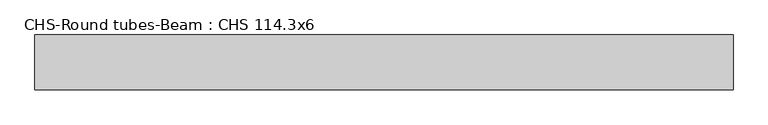
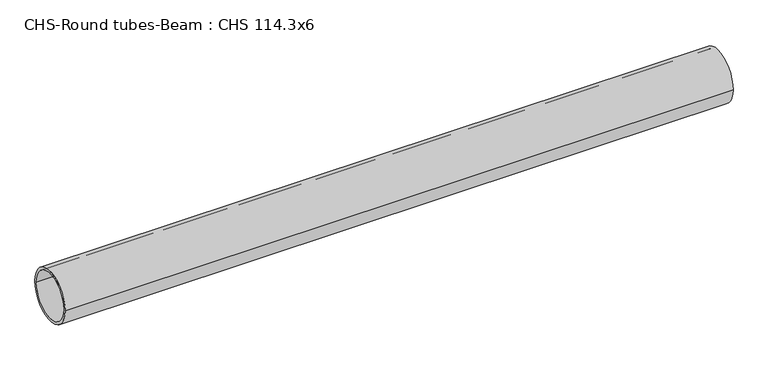
"""IFC4 building model written with IfcOpenShell, lengths in millimetres: beam geometry, CHS-Round tubes-Beam : CHS 114.3x6."""

import ifcopenshell
import ifcopenshell.guid

model = None  # the IFC model being written
_history = None  # IfcOwnerHistory: only IFC2X3 demands one
_inside = {}  # id of a spatial element -> (the spatial element, [elements in it])
_under = {}  # id of a project, library or spatial element -> (it, [spatial elements below it])
_declared = {}  # id of a project -> (the project, [libraries it declares])
_typed = {}  # id of a type object -> (the type object, [elements of that type])
_made_of = {}  # id of a material, layer set ... -> (it, [elements and type objects made of it])


def new_model(schema):
    """Start an empty IFC model of exactly this schema.

    Asked for "IFC4X3", IfcOpenShell would pick the latest addendum, in which some entities
    have other attributes; the version numbers below select the first issue.
    IFC2X3 requires an IfcOwnerHistory on every rooted entity: one is made here for all.
    """
    global model, _history
    if schema == "IFC4X3":
        model = ifcopenshell.file(schema_version=(4, 3, 0, 0))
    else:
        model = ifcopenshell.file(schema=schema)
    _inside.clear()
    _under.clear()
    _declared.clear()
    _typed.clear()
    _made_of.clear()
    _history = None
    if model.schema == "IFC2X3":
        org = make("IfcOrganization", Name="unknown")
        user = make(
            "IfcPersonAndOrganization",
            ThePerson=make("IfcPerson", FamilyName="unknown"),
            TheOrganization=org,
        )
        app = make(
            "IfcApplication",
            ApplicationDeveloper=org,
            Version="unknown",
            ApplicationFullName="unknown",
            ApplicationIdentifier="unknown",
        )
        _history = make(
            "IfcOwnerHistory",
            OwningUser=user,
            OwningApplication=app,
            ChangeAction="ADDED",
            CreationDate=0,
        )
    return model


def make(cls, **values):
    """One entity of the class cls with the attributes given. An attribute that is None is left unset."""
    return model.create_entity(
        cls, **{name: value for name, value in values.items() if value is not None}
    )


def rooted(cls, **values):
    """An entity with a GlobalId (a new one), such as an element, a storey or a relation."""
    return make(cls, GlobalId=ifcopenshell.guid.new(), OwnerHistory=_history, **values)


def si_unit(unit_type, name, prefix=None):
    """IfcSIUnit, for example si_unit("LENGTHUNIT", "METRE", prefix="MILLI")."""
    return make("IfcSIUnit", UnitType=unit_type, Prefix=prefix, Name=name)


def assignment(units):
    """IfcUnitAssignment: the units of a project."""
    return None if units is None else make("IfcUnitAssignment", Units=units)


def point(xyz):
    """IfcCartesianPoint."""
    return None if xyz is None else make("IfcCartesianPoint", Coordinates=xyz)


def direction(xyz):
    """IfcDirection."""
    return None if xyz is None else make("IfcDirection", DirectionRatios=xyz)


def frame(location, z_axis=None, x_axis=None):
    """IfcAxis2Placement3D, a coordinate frame: its origin and axes. An axis left out is left unset."""
    return make(
        "IfcAxis2Placement3D",
        Location=point(location),
        Axis=direction(z_axis),
        RefDirection=direction(x_axis),
    )


def frame_2d(location, x_axis=None):
    """IfcAxis2Placement2D, a coordinate frame in the plane: its origin and x axis."""
    return make(
        "IfcAxis2Placement2D", Location=point(location), RefDirection=direction(x_axis)
    )


def origin():
    """The frame at (0, 0, 0) with its axes left unset."""
    return frame((0.0, 0.0, 0.0))


def origin_2d():
    """The frame at (0, 0) in the plane with its x axis left unset."""
    return frame_2d((0.0, 0.0))


def place(relative_to, where):
    """IfcLocalPlacement: puts the frame where relative to a parent placement (None: the world)."""
    return make(
        "IfcLocalPlacement", PlacementRelTo=relative_to, RelativePlacement=where
    )


def context(
    kind, dimensions, precision=None, world=None, true_north=None, identifier=None
):
    """IfcGeometricRepresentationContext, for example the 3D "Model" context."""
    return make(
        "IfcGeometricRepresentationContext",
        ContextIdentifier=identifier,
        ContextType=kind,
        CoordinateSpaceDimension=dimensions,
        Precision=precision,
        WorldCoordinateSystem=world,
        TrueNorth=true_north,
    )


def project(units=None, contexts=None):
    """IfcProject with its units and contexts."""
    return rooted(
        "IfcProject",
        Name="project",
        RepresentationContexts=contexts,
        UnitsInContext=assignment(units),
    )


def spatial(cls, under=None, at=None, **own):
    """A site, building, storey or space (cls), placed at a placement, below another one or the project."""
    s = rooted(cls, ObjectPlacement=at, **own)
    if under is not None:
        _under.setdefault(under.id(), (under, []))[1].append(s)
    return s


def circle_curve(where, radius):
    """IfcCircle in the frame where."""
    return make("IfcCircle", Position=where, Radius=radius)


def trimmed(basis, trim1, trim2, sense, master):
    """IfcTrimmedCurve: the piece of a basis curve between two trims."""
    return make(
        "IfcTrimmedCurve",
        BasisCurve=basis,
        Trim1=trim1,
        Trim2=trim2,
        SenseAgreement=sense,
        MasterRepresentation=master,
    )


def segment(curve, same_sense, transition):
    """IfcCompositeCurveSegment."""
    return make(
        "IfcCompositeCurveSegment",
        Transition=transition,
        SameSense=same_sense,
        ParentCurve=curve,
    )


def composite_curve(segments, self_intersect=None):
    """IfcCompositeCurve: segments joined end to end."""
    return make("IfcCompositeCurve", Segments=segments, SelfIntersect=self_intersect)


def outline(outer, holes=None, kind="AREA"):
    """IfcArbitraryClosedProfileDef: a profile drawn as a closed curve; with holes, ...WithVoids."""
    if holes is None:
        return make("IfcArbitraryClosedProfileDef", ProfileType=kind, OuterCurve=outer)
    return make(
        "IfcArbitraryProfileDefWithVoids",
        ProfileType=kind,
        OuterCurve=outer,
        InnerCurves=holes,
    )


def extrude(swept, where, along, depth):
    """IfcExtrudedAreaSolid: the profile swept, set in the frame where, extruded along a direction by depth."""
    return make(
        "IfcExtrudedAreaSolid",
        SweptArea=swept,
        Position=where,
        ExtrudedDirection=direction(along),
        Depth=depth,
    )


def shape(context_of_items, identifier, shape_type, items):
    """IfcShapeRepresentation: the items that make up one representation, for example the "Body"."""
    return make(
        "IfcShapeRepresentation",
        ContextOfItems=context_of_items,
        RepresentationIdentifier=identifier,
        RepresentationType=shape_type,
        Items=items,
    )


def source(mapping_origin, context_of_items, identifier, shape_type, items):
    """IfcRepresentationMap: a shape defined once, which mapped items show again and again."""
    return make(
        "IfcRepresentationMap",
        MappingOrigin=mapping_origin,
        MappedRepresentation=shape(context_of_items, identifier, shape_type, items),
    )


def transform(
    local_origin,
    x_axis=None,
    y_axis=None,
    z_axis=None,
    scale=None,
    scale2=None,
    scale3=None,
    uniform=True,
):
    """IfcCartesianTransformationOperator3D, or its non-uniform kind. x_axis, y_axis, z_axis: its Axis1, 2, 3."""
    if uniform:
        return make(
            "IfcCartesianTransformationOperator3D",
            Axis1=direction(x_axis),
            Axis2=direction(y_axis),
            LocalOrigin=point(local_origin),
            Scale=scale,
            Axis3=direction(z_axis),
        )
    return make(
        "IfcCartesianTransformationOperator3DnonUniform",
        Axis1=direction(x_axis),
        Axis2=direction(y_axis),
        LocalOrigin=point(local_origin),
        Scale=scale,
        Axis3=direction(z_axis),
        Scale2=scale2,
        Scale3=scale3,
    )


def mapped(mapping_source, mapping_target):
    """IfcMappedItem: shows the shape of a source again, moved by a transform."""
    return make(
        "IfcMappedItem", MappingSource=mapping_source, MappingTarget=mapping_target
    )


def made_of(thing, what):
    """Note that an element or type object is made of a material, layer set ...; save() writes the relation."""
    if what is not None:
        _made_of.setdefault(what.id(), (what, []))[1].append(thing)
    return thing


def element(
    cls,
    number,
    at=None,
    inside=None,
    cuts=None,
    type_object=None,
    material=None,
    context=None,
    identifier="Body",
    shape_type=None,
    held_by="IfcProductDefinitionShape",
    body=None,
    shapes=None,
    **own,
):
    """One element of the class cls, such as IfcWall. Its Tag is "e" and its number.

    at: its placement. inside: the storey or other place that contains it. cuts: it is an
    opening in that element (IfcRelVoidsElement). A single representation is given by context,
    identifier, shape_type and body (its items); several are given by shapes. held_by: the class
    of the entity that holds the representations. save() writes the other relations.
    """
    e = rooted(cls, Tag="e%d" % number, ObjectPlacement=at, **own)
    if body is not None:
        shapes = [shape(context, identifier, shape_type, body)]
    if shapes is not None:
        e.Representation = make(held_by, Representations=shapes)
    if inside is not None:
        _inside.setdefault(inside.id(), (inside, []))[1].append(e)
    if cuts is not None:
        rooted(
            "IfcRelVoidsElement", RelatingBuildingElement=cuts, RelatedOpeningElement=e
        )
    if type_object is not None:
        _typed.setdefault(type_object.id(), (type_object, []))[1].append(e)
    return made_of(e, material)


def aggregate(whole, parts):
    """IfcRelAggregates: a whole, such as a stair, and the parts it consists of."""
    return rooted("IfcRelAggregates", RelatingObject=whole, RelatedObjects=parts)


def save(model, path):
    """Write the relations noted so far, then the file.

    IfcRelAggregates (storeys below a building ...), IfcRelContainedInSpatialStructure (elements
    in a storey), IfcRelDefinesByType, IfcRelAssociatesMaterial and IfcRelDeclares: one each for
    every whole, place, type object, material and project.
    """
    for whole, parts in _under.values():
        aggregate(whole, parts)
    for where, things in _inside.values():
        rooted(
            "IfcRelContainedInSpatialStructure",
            RelatedElements=things,
            RelatingStructure=where,
        )
    for kind, things in _typed.values():
        rooted("IfcRelDefinesByType", RelatedObjects=things, RelatingType=kind)
    for what, things in _made_of.values():
        rooted("IfcRelAssociatesMaterial", RelatedObjects=things, RelatingMaterial=what)
    for by, libraries in _declared.values():
        rooted("IfcRelDeclares", RelatingContext=by, RelatedDefinitions=libraries)
    model.write(path)


def chs_round_tubes_beam_chs_114_3x6_7be07d6b(model_context):
    return source(origin(), model_context, "Body", "SweptSolid", [
        extrude(outline(composite_curve([segment(trimmed(circle_curve(origin_2d(), 57.15), [point((57.15, 0.0))], [point((-57.15, 0.0))], False, "CARTESIAN"), True, "CONTINUOUS"), segment(trimmed(circle_curve(origin_2d(), 57.15), [point((-57.15, 0.0))], [point((57.15, 0.0))], False, "CARTESIAN"), True, "CONTINUOUS")], self_intersect=False), holes=[composite_curve([segment(trimmed(circle_curve(origin_2d(), 51.15), [point((51.15, 0.0))], [point((-51.15, 0.0))], True, "CARTESIAN"), True, "CONTINUOUS"), segment(trimmed(circle_curve(origin_2d(), 51.15), [point((-51.15, 0.0))], [point((51.15, 0.0))], True, "CARTESIAN"), True, "CONTINUOUS")], self_intersect=False)]), frame((-745.1619427, 0.0, 0.0), z_axis=(1.0, 0.0, 0.0), x_axis=(0.0, 1.0, 0.0)), (0.0, 0.0, 1.0), 1458.0864372),
    ])


if __name__ == "__main__":
    model = new_model("IFC4")
    model_context = context("Model", 3, world=origin())
    ifc_project = project(units=[si_unit("LENGTHUNIT", "METRE", prefix="MILLI")], contexts=[model_context])
    site = spatial("IfcSite", under=ifc_project)
    building = spatial("IfcBuilding", under=site)
    placement = place(None, origin())
    chs_round_tubes_beam_chs_114_3x6_shape = chs_round_tubes_beam_chs_114_3x6_7be07d6b(model_context)
    element("IfcBeam", 1, ObjectType="CHS-Round tubes-Beam : CHS 114.3x6", at=placement, inside=building, context=model_context, shape_type="MappedRepresentation", body=[
        mapped(chs_round_tubes_beam_chs_114_3x6_shape, transform((0.0, 0.0, 0.0), x_axis=(1.0, 0.0, 0.0), y_axis=(0.0, 1.0, 0.0), z_axis=(0.0, 0.0, 1.0))),
    ])
    save(model, "model.ifc")
